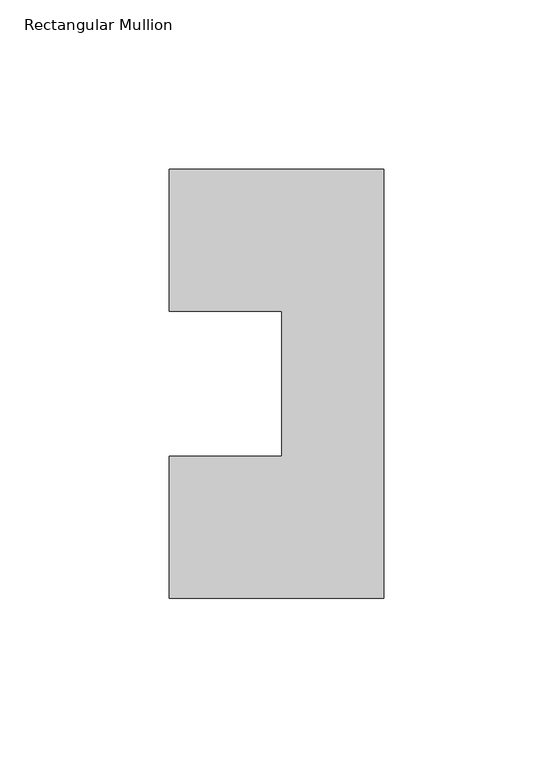
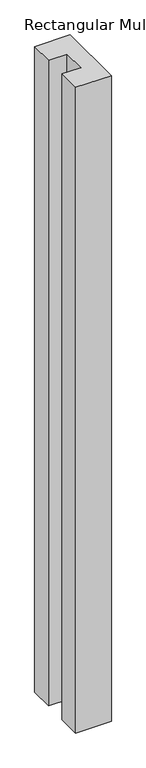
"""IFC4 building model written with IfcOpenShell, lengths in millimetres: member geometry, Rectangular Mullion."""

from ifc_helpers import new_model, si_unit, frame, origin, place, context, project, spatial, polyline, outline, extrude, source, transform, mapped, element, save


def rectangular_mullion_e3539de3(model_context):
    return source(origin(), model_context, "Body", "SweptSolid", [
        extrude(outline(polyline([(1.5748, 84.93125), (-31.75, 84.93125), (-31.75, 127.0063369), (31.75, 127.0063369), (31.75, 0.0063369), (-31.75, 0.0063369), (-31.75, 42.0814369), (1.5748, 42.0814369), (1.5748, 84.93125)])), frame((0.0, 0.0, -1219.2), z_axis=(0.0, 0.0, 1.0), x_axis=(1.0, 0.0, 0.0)), (0.0, 0.0, 1.0), 1219.2),
    ])


if __name__ == "__main__":
    model = new_model("IFC4")
    model_context = context("Model", 3, world=origin())
    ifc_project = project(units=[si_unit("LENGTHUNIT", "METRE", prefix="MILLI")], contexts=[model_context])
    site = spatial("IfcSite", under=ifc_project)
    building = spatial("IfcBuilding", under=site)
    placement = place(None, origin())
    rectangular_mullion_shape = rectangular_mullion_e3539de3(model_context)
    element("IfcMember", 1, ObjectType="Rectangular Mullion", at=placement, inside=building, context=model_context, shape_type="MappedRepresentation", body=[
        mapped(rectangular_mullion_shape, transform((0.0, 0.0, 0.0), x_axis=(1.0, 0.0, 0.0), y_axis=(0.0, 1.0, 0.0), z_axis=(0.0, 0.0, 1.0))),
    ])
    save(model, "model.ifc")
